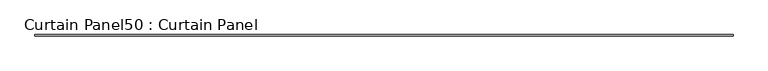
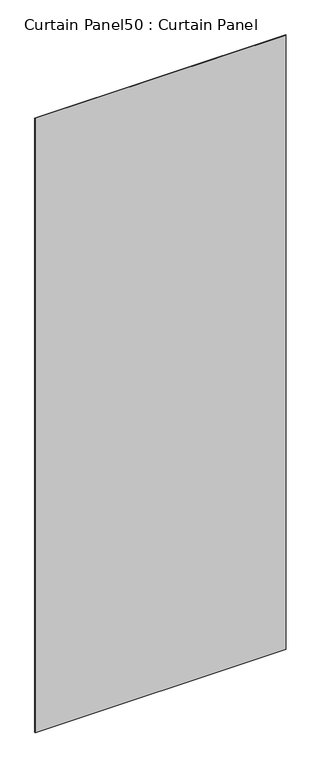
"""IFC4 building model written with IfcOpenShell, lengths in millimetres: plate geometry, Curtain Panel50 : Curtain Panel."""

from ifc_helpers import new_model, si_unit, frame, origin, place, context, project, spatial, polyline, outline, extrude, source, transform, mapped, element, save


def curtain_panel50_curtain_panel_62b944d7(model_context):
    return source(origin(), model_context, "Body", "SweptSolid", [
        extrude(outline(polyline([(40903.344649, 1749.7010947), (37566.3815738, 1749.7010947), (37566.3815738, 1756.0510947), (40903.344649, 1756.0510947), (40903.344649, 1749.7010947)])), frame((0.0, 0.0, 1320.3397628), z_axis=(0.0, 0.0, 1.0), x_axis=(1.0, 0.0, 0.0)), (0.0, 0.0, 1.0), 8635.0685723),
    ])


if __name__ == "__main__":
    model = new_model("IFC4")
    model_context = context("Model", 3, world=origin())
    ifc_project = project(units=[si_unit("LENGTHUNIT", "METRE", prefix="MILLI")], contexts=[model_context])
    site = spatial("IfcSite", under=ifc_project)
    building = spatial("IfcBuilding", under=site)
    placement = place(None, origin())
    curtain_panel50_curtain_panel_shape = curtain_panel50_curtain_panel_62b944d7(model_context)
    element("IfcPlate", 1, ObjectType="Curtain Panel50 : Curtain Panel", at=placement, inside=building, context=model_context, shape_type="MappedRepresentation", body=[
        mapped(curtain_panel50_curtain_panel_shape, transform((0.0, 0.0, 0.0), x_axis=(1.0, 0.0, 0.0), y_axis=(0.0, 1.0, 0.0), z_axis=(0.0, 0.0, 1.0))),
    ])
    save(model, "model.ifc")
